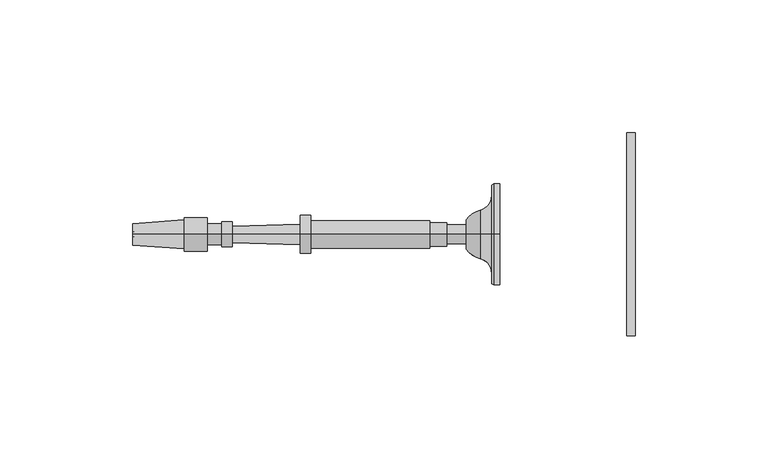
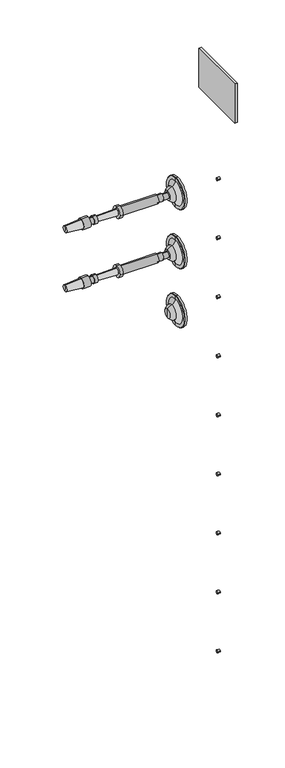
"""IFC4 building model written with IfcOpenShell, lengths in millimetres: railing geometry."""

from ifc_helpers import new_model, si_unit, point, frame, frame_2d, origin, place, context, project, spatial, polyline, circle_curve, ellipse_curve, trimmed, segment, composite_curve, outline, extrude, source, transform, mapped, element, save
from ifc_brep_helpers import plane_surface, cylinder_surface, revolved_surface, advanced_brep


def railing_b5b5f7ef(model_context):
    return source(origin(), model_context, "Body", "SolidModel", [
        extrude(outline(polyline([(4095.9188898, 16744.3866843), (4095.9188898, 16668.1866843), (4092.7438898, 16668.1866843), (4092.7438898, 16744.3866843), (4095.9188898, 16744.3866843)])), frame((0.0, 0.0, 33390.9789063), z_axis=(0.0, 0.0, 1.0), x_axis=(1.0, 0.0, 0.0)), (0.0, 0.0, 1.0), 50.8),
        extrude(outline(composite_curve([segment(trimmed(circle_curve(frame_2d((16706.2866843, 33295.7289062)), 1.5379197), [point((16707.824604, 33295.7289062))], [point((16704.7487645, 33295.7289062))], False, "CARTESIAN"), True, "CONTINUOUS"), segment(trimmed(circle_curve(frame_2d((16706.2866843, 33295.7289062)), 1.5379197), [point((16704.7487645, 33295.7289062))], [point((16707.824604, 33295.7289062))], False, "CARTESIAN"), True, "CONTINUOUS")], self_intersect=False)), frame((4092.7438898, 0.0, 0.0), z_axis=(1.0, 0.0, 0.0), x_axis=(0.0, 1.0, 0.0)), (0.0, 0.0, 1.0), 3.175),
        extrude(outline(composite_curve([segment(trimmed(circle_curve(frame_2d((16706.2866843, 33219.5289063)), 1.5379197), [point((16707.824604, 33219.5289063))], [point((16704.7487645, 33219.5289063))], False, "CARTESIAN"), True, "CONTINUOUS"), segment(trimmed(circle_curve(frame_2d((16706.2866843, 33219.5289063)), 1.5379197), [point((16704.7487645, 33219.5289063))], [point((16707.824604, 33219.5289063))], False, "CARTESIAN"), True, "CONTINUOUS")], self_intersect=False)), frame((4092.7438898, 0.0, 0.0), z_axis=(1.0, 0.0, 0.0), x_axis=(0.0, 1.0, 0.0)), (0.0, 0.0, 1.0), 3.175),
        extrude(outline(composite_curve([segment(trimmed(circle_curve(frame_2d((16706.2866843, 33143.3289062)), 1.5379197), [point((16707.824604, 33143.3289062))], [point((16704.7487645, 33143.3289062))], False, "CARTESIAN"), True, "CONTINUOUS"), segment(trimmed(circle_curve(frame_2d((16706.2866843, 33143.3289062)), 1.5379197), [point((16704.7487645, 33143.3289062))], [point((16707.824604, 33143.3289062))], False, "CARTESIAN"), True, "CONTINUOUS")], self_intersect=False)), frame((4092.7438898, 0.0, 0.0), z_axis=(1.0, 0.0, 0.0), x_axis=(0.0, 1.0, 0.0)), (0.0, 0.0, 1.0), 3.175),
        extrude(outline(composite_curve([segment(trimmed(circle_curve(frame_2d((16706.2866843, 33067.1289062)), 1.5379197), [point((16707.824604, 33067.1289062))], [point((16704.7487645, 33067.1289062))], False, "CARTESIAN"), True, "CONTINUOUS"), segment(trimmed(circle_curve(frame_2d((16706.2866843, 33067.1289062)), 1.5379197), [point((16704.7487645, 33067.1289062))], [point((16707.824604, 33067.1289062))], False, "CARTESIAN"), True, "CONTINUOUS")], self_intersect=False)), frame((4092.7438898, 0.0, 0.0), z_axis=(1.0, 0.0, 0.0), x_axis=(0.0, 1.0, 0.0)), (0.0, 0.0, 1.0), 3.175),
        extrude(outline(composite_curve([segment(trimmed(circle_curve(frame_2d((16706.2866843, 32990.9289062)), 1.5379197), [point((16707.824604, 32990.9289062))], [point((16704.7487645, 32990.9289062))], False, "CARTESIAN"), True, "CONTINUOUS"), segment(trimmed(circle_curve(frame_2d((16706.2866843, 32990.9289062)), 1.5379197), [point((16704.7487645, 32990.9289062))], [point((16707.824604, 32990.9289062))], False, "CARTESIAN"), True, "CONTINUOUS")], self_intersect=False)), frame((4092.7438898, 0.0, 0.0), z_axis=(1.0, 0.0, 0.0), x_axis=(0.0, 1.0, 0.0)), (0.0, 0.0, 1.0), 3.175),
        extrude(outline(composite_curve([segment(trimmed(circle_curve(frame_2d((16706.2866843, 32914.7289062)), 1.5379197), [point((16707.824604, 32914.7289062))], [point((16704.7487645, 32914.7289062))], False, "CARTESIAN"), True, "CONTINUOUS"), segment(trimmed(circle_curve(frame_2d((16706.2866843, 32914.7289062)), 1.5379197), [point((16704.7487645, 32914.7289062))], [point((16707.824604, 32914.7289062))], False, "CARTESIAN"), True, "CONTINUOUS")], self_intersect=False)), frame((4092.7438898, 0.0, 0.0), z_axis=(1.0, 0.0, 0.0), x_axis=(0.0, 1.0, 0.0)), (0.0, 0.0, 1.0), 3.175),
        extrude(outline(composite_curve([segment(trimmed(circle_curve(frame_2d((16706.2866843, 32838.5289063)), 1.5379197), [point((16707.824604, 32838.5289063))], [point((16704.7487645, 32838.5289063))], False, "CARTESIAN"), True, "CONTINUOUS"), segment(trimmed(circle_curve(frame_2d((16706.2866843, 32838.5289063)), 1.5379197), [point((16704.7487645, 32838.5289063))], [point((16707.824604, 32838.5289063))], False, "CARTESIAN"), True, "CONTINUOUS")], self_intersect=False)), frame((4092.7438898, 0.0, 0.0), z_axis=(1.0, 0.0, 0.0), x_axis=(0.0, 1.0, 0.0)), (0.0, 0.0, 1.0), 3.175),
        extrude(outline(composite_curve([segment(trimmed(circle_curve(frame_2d((16706.2866843, 32762.3289062)), 1.5379197), [point((16707.824604, 32762.3289062))], [point((16704.7487645, 32762.3289062))], False, "CARTESIAN"), True, "CONTINUOUS"), segment(trimmed(circle_curve(frame_2d((16706.2866843, 32762.3289062)), 1.5379197), [point((16704.7487645, 32762.3289062))], [point((16707.824604, 32762.3289062))], False, "CARTESIAN"), True, "CONTINUOUS")], self_intersect=False)), frame((4092.7438898, 0.0, 0.0), z_axis=(1.0, 0.0, 0.0), x_axis=(0.0, 1.0, 0.0)), (0.0, 0.0, 1.0), 3.175),
        extrude(outline(composite_curve([segment(trimmed(circle_curve(frame_2d((16706.2866843, 32686.1289062)), 1.5379197), [point((16707.824604, 32686.1289062))], [point((16704.7487645, 32686.1289062))], False, "CARTESIAN"), True, "CONTINUOUS"), segment(trimmed(circle_curve(frame_2d((16706.2866843, 32686.1289062)), 1.5379197), [point((16704.7487645, 32686.1289062))], [point((16707.824604, 32686.1289062))], False, "CARTESIAN"), True, "CONTINUOUS")], self_intersect=False)), frame((4092.7438898, 0.0, 0.0), z_axis=(1.0, 0.0, 0.0), x_axis=(0.0, 1.0, 0.0)), (0.0, 0.0, 1.0), 3.175),
        advanced_brep(
        [(4045.1015906, 16706.2866843, 33296.0001631), (4045.1015906, 16706.2866843, 33315.0501631), (4045.1015906, 16706.2866843, 33276.9501631), (4032.408954, 16706.2866843, 33290.4769785), (4032.408954, 16706.2866843, 33301.5233478), (4032.408954, 16706.2866843, 33296.0001631), (4037.6850504, 16706.2866843, 33286.8720381), (4037.6850504, 16706.2866843, 33305.1282881), (4042.0506754, 16706.2866843, 33281.2458254), (4042.0506754, 16706.2866843, 33310.7545009), (4042.0506754, 16706.2866843, 33277.3762941), (4042.0506754, 16706.2866843, 33314.6240321), (4042.7203406, 16706.2866843, 33276.9501631), (4042.7203406, 16706.2866843, 33315.0501631)],
        [
            (0, 1),
            (1, 2, circle_curve(frame((4045.1015906, 16706.2866843, 33296.0001631), z_axis=(1.0, 0.0, 0.0), x_axis=(0.0, 0.0, 1.0)), 19.05)),
            (2, 0),
            (2, 1, circle_curve(frame((4045.1015906, 16706.2866843, 33296.0001631), z_axis=(1.0, 0.0, 0.0), x_axis=(0.0, 0.0, 1.0)), 19.05)),
            (3, 4, circle_curve(frame((4032.408954, 16706.2866843, 33296.0001631), z_axis=(-1.0, 0.0, 0.0), x_axis=(0.0, 0.0, 1.0)), 5.5231846)),
            (4, 5),
            (5, 3),
            (4, 3, circle_curve(frame((4032.408954, 16706.2866843, 33296.0001631), z_axis=(-1.0, 0.0, 0.0), x_axis=(0.0, 0.0, 1.0)), 5.5231846)),
            (6, 7, circle_curve(frame((4037.6850504, 16706.2866843, 33296.0001631), z_axis=(-1.0, 0.0, 0.0), x_axis=(0.0, 0.0, 1.0)), 9.128125)),
            (7, 4, circle_curve(frame((4040.0094591, 16706.2866843, 33296.0628958), z_axis=(0.0, -1.0, 0.0), x_axis=(-1.0, 0.0, 0.0)), 9.3586438)),
            (3, 6, circle_curve(frame((4040.0094591, 16706.2866843, 33295.9374304), z_axis=(0.0, -1.0, 0.0), x_axis=(-1.0, 0.0, 0.0)), 9.3586438)),
            (7, 6, circle_curve(frame((4037.6850504, 16706.2866843, 33296.0001631), z_axis=(-1.0, 0.0, 0.0), x_axis=(0.0, 0.0, 1.0)), 9.128125)),
            (8, 9, circle_curve(frame((4042.0506754, 16706.2866843, 33296.0001631), z_axis=(-1.0, 0.0, 0.0), x_axis=(0.0, 0.0, 1.0)), 14.7543378)),
            (9, 7, circle_curve(frame((4036.2424634, 16706.2866843, 33310.7545009), z_axis=(0.0, 1.0, 0.0), x_axis=(-1.0, 0.0, 0.0)), 5.8082121)),
            (6, 8, circle_curve(frame((4036.2424634, 16706.2866843, 33281.2458254), z_axis=(0.0, 1.0, 0.0), x_axis=(-1.0, 0.0, 0.0)), 5.8082121)),
            (9, 8, circle_curve(frame((4042.0506754, 16706.2866843, 33296.0001631), z_axis=(-1.0, 0.0, 0.0), x_axis=(0.0, 0.0, 1.0)), 14.7543378)),
            (10, 11, circle_curve(frame((4042.0506754, 16706.2866843, 33296.0001631), z_axis=(-1.0, 0.0, 0.0), x_axis=(0.0, 0.0, 1.0)), 18.623869)),
            (11, 9),
            (8, 10),
            (11, 10, circle_curve(frame((4042.0506754, 16706.2866843, 33296.0001631), z_axis=(-1.0, 0.0, 0.0), x_axis=(0.0, 0.0, 1.0)), 18.623869)),
            (12, 13, circle_curve(frame((4042.7203406, 16706.2866843, 33296.0001631), z_axis=(-1.0, 0.0, 0.0), x_axis=(0.0, 0.0, 1.0)), 19.05)),
            (13, 11),
            (10, 12),
            (13, 12, circle_curve(frame((4042.7203406, 16706.2866843, 33296.0001631), z_axis=(-1.0, 0.0, 0.0), x_axis=(0.0, 0.0, 1.0)), 19.05)),
            (1, 13),
            (12, 2),
        ],
        [
            plane_surface(frame((4045.1015906, 16706.2866843, 33296.0001631), z_axis=(1.0, 0.0, 0.0), x_axis=(0.0, 0.0, 1.0))),
            plane_surface(frame((4032.408954, 16706.2866843, 33296.0001631), z_axis=(-1.0, 0.0, 0.0), x_axis=(0.0, 0.0, 1.0))),
            revolved_surface(trimmed(ellipse_curve(frame((4040.0094591, 16706.2866843, 33296.0628958), z_axis=(0.0, 1.0, 0.0), x_axis=(-1.0, 0.0, 0.0)), 9.3586438, 9.3586438), [point((4032.408954, 16706.2866843, 33301.5233478))], [point((4037.6850504, 16706.2866843, 33305.1282881))], True, "CARTESIAN"), (4045.1015906, 16706.2866843, 33296.0001631), (1.0, 0.0, 0.0)),
            revolved_surface(trimmed(ellipse_curve(frame((4036.2424634, 16706.2866843, 33310.7545009), z_axis=(0.0, -1.0, 0.0), x_axis=(-1.0, 0.0, 0.0)), 5.8082121, 5.8082121), [point((4037.6850504, 16706.2866843, 33305.1282881))], [point((4042.0506754, 16706.2866843, 33310.7545009))], True, "CARTESIAN"), (4045.1015906, 16706.2866843, 33296.0001631), (1.0, 0.0, 0.0)),
            plane_surface(frame((4042.0506754, 16706.2866843, 33296.0001631), z_axis=(-1.0, 0.0, 0.0), x_axis=(0.0, 0.0, 1.0))),
            revolved_surface(polyline([(4042.0506754, 16706.2866843, 33314.6240321), (4042.7203406, 16706.2866843, 33315.0501631)]), (4045.1015906, 16706.2866843, 33296.0001631), (1.0, 0.0, 0.0)),
            cylinder_surface(frame((4045.1015906, 16706.2866843, 33296.0001631), z_axis=(1.0, 0.0, 0.0), x_axis=(0.0, 0.0, 1.0)), 19.05),
        ],
        [
            (0, [[1, 2, 3]]),
            (0, [[-3, 4, -1]]),
            (1, [[5, 6, 7]]),
            (1, [[8, -7, -6]]),
            (2, [[9, 10, -5, 11]]),
            (2, [[12, -11, -8, -10]]),
            (3, [[13, 14, -9, 15]]),
            (3, [[16, -15, -12, -14]]),
            (4, [[17, 18, -13, 19]]),
            (4, [[20, -19, -16, -18]]),
            (5, [[21, 22, -17, 23]]),
            (5, [[24, -23, -20, -22]]),
            (6, [[-2, 25, -21, 26]]),
            (6, [[-4, -26, -24, -25]]),
        ],
    ),
        advanced_brep(
        [(4032.408954, 16706.2866843, 33292.4282881), (4032.408954, 16706.2866843, 33296.0001631), (4032.408954, 16706.2866843, 33299.5720381), (3907.4650648, 16706.2866843, 33296.0001631), (3907.1694004, 16706.2866843, 33291.9757028), (3907.1694004, 16706.2866843, 33300.0246235), (3926.5127644, 16706.2866843, 33290.5546072), (3926.5127644, 16706.2866843, 33301.445719), (3926.5127644, 16706.2866843, 33289.6616385), (3926.5127644, 16706.2866843, 33302.3386877), (3935.1447956, 16706.2866843, 33289.6616385), (3935.1447956, 16706.2866843, 33302.3386877), (3935.1447956, 16706.2866843, 33292.0428885), (3935.1447956, 16706.2866843, 33299.9574377), (3940.5026081, 16706.2866843, 33292.0428885), (3940.5026081, 16706.2866843, 33299.9574377), (3940.5026081, 16706.2866843, 33291.2491385), (3940.5026081, 16706.2866843, 33300.7511877), (3944.5705769, 16706.2866843, 33291.2491385), (3944.5705769, 16706.2866843, 33300.7511877), (3944.614664, 16706.2866843, 33292.8360262), (3944.614664, 16706.2866843, 33299.1643), (3970.0048672, 16706.2866843, 33292.1306319), (3970.0048672, 16706.2866843, 33299.8696944), (3970.0048672, 16706.2866843, 33288.8564131), (3970.0048672, 16706.2866843, 33303.1439131), (3973.9736172, 16706.2866843, 33288.8564131), (3973.9736172, 16706.2866843, 33303.1439131), (3973.9736172, 16706.2866843, 33290.8407881), (3973.9736172, 16706.2866843, 33301.1595381), (4018.7212735, 16706.2866843, 33290.8407881), (4018.7212735, 16706.2866843, 33301.1595381), (4018.7212735, 16706.2866843, 33291.6345381), (4018.7212735, 16706.2866843, 33300.3657881), (4025.0712735, 16706.2866843, 33291.6345381), (4025.0712735, 16706.2866843, 33300.3657881), (4025.0712735, 16706.2866843, 33292.4282881), (4025.0712735, 16706.2866843, 33299.5720381)],
        [
            (0, 1),
            (1, 2),
            (2, 0, circle_curve(frame((4032.408954, 16706.2866843, 33296.0001631), z_axis=(1.0, 0.0, 0.0), x_axis=(0.0, 0.0, 1.0000000000000002)), 3.571875)),
            (0, 2, circle_curve(frame((4032.408954, 16706.2866843, 33296.0001631), z_axis=(1.0, 0.0, 0.0), x_axis=(0.0, 0.0, 1.0000000000000002)), 3.571875)),
            (3, 4),
            (4, 5, circle_curve(frame((3907.1694004, 16706.2866843, 33296.0001631), z_axis=(-1.0, 0.0, 0.0), x_axis=(0.0, 0.0, 1.0000000000000002)), 4.0244604)),
            (5, 3),
            (5, 4, circle_curve(frame((3907.1694004, 16706.2866843, 33296.0001631), z_axis=(-1.0, 0.0, 0.0), x_axis=(0.0, 0.0, 1.0000000000000002)), 4.0244604)),
            (4, 6),
            (6, 7, circle_curve(frame((3926.5127644, 16706.2866843, 33296.0001631), z_axis=(-1.0, 0.0, 0.0), x_axis=(0.0, 0.0, 1.0000000000000002)), 5.4455559)),
            (7, 5),
            (7, 6, circle_curve(frame((3926.5127644, 16706.2866843, 33296.0001631), z_axis=(-1.0, 0.0, 0.0), x_axis=(0.0, 0.0, 1.0000000000000002)), 5.4455559)),
            (6, 8),
            (8, 9, circle_curve(frame((3926.5127644, 16706.2866843, 33296.0001631), z_axis=(-1.0, 0.0, 0.0), x_axis=(0.0, 0.0, 1.0000000000000002)), 6.3385246)),
            (9, 7),
            (9, 8, circle_curve(frame((3926.5127644, 16706.2866843, 33296.0001631), z_axis=(-1.0, 0.0, 0.0), x_axis=(0.0, 0.0, 1.0000000000000002)), 6.3385246)),
            (8, 10),
            (10, 11, circle_curve(frame((3935.1447956, 16706.2866843, 33296.0001631), z_axis=(-1.0, 0.0, 0.0), x_axis=(0.0, 0.0, 1.0000000000000002)), 6.3385246)),
            (11, 9),
            (11, 10, circle_curve(frame((3935.1447956, 16706.2866843, 33296.0001631), z_axis=(-1.0, 0.0, 0.0), x_axis=(0.0, 0.0, 1.0000000000000002)), 6.3385246)),
            (10, 12),
            (12, 13, circle_curve(frame((3935.1447956, 16706.2866843, 33296.0001631), z_axis=(-1.0, 0.0, 0.0), x_axis=(0.0, 0.0, 1.0000000000000002)), 3.9572746)),
            (13, 11),
            (13, 12, circle_curve(frame((3935.1447956, 16706.2866843, 33296.0001631), z_axis=(-1.0, 0.0, 0.0), x_axis=(0.0, 0.0, 1.0000000000000002)), 3.9572746)),
            (12, 14),
            (14, 15, circle_curve(frame((3940.5026081, 16706.2866843, 33296.0001631), z_axis=(-1.0, 0.0, 0.0), x_axis=(0.0, 0.0, 1.0000000000000002)), 3.9572746)),
            (15, 13),
            (15, 14, circle_curve(frame((3940.5026081, 16706.2866843, 33296.0001631), z_axis=(-1.0, 0.0, 0.0), x_axis=(0.0, 0.0, 1.0000000000000002)), 3.9572746)),
            (14, 16),
            (16, 17, circle_curve(frame((3940.5026081, 16706.2866843, 33296.0001631), z_axis=(-1.0, 0.0, 0.0), x_axis=(0.0, 0.0, 1.0000000000000002)), 4.7510246)),
            (17, 15),
            (17, 16, circle_curve(frame((3940.5026081, 16706.2866843, 33296.0001631), z_axis=(-1.0, 0.0, 0.0), x_axis=(0.0, 0.0, 1.0000000000000002)), 4.7510246)),
            (16, 18),
            (18, 19, circle_curve(frame((3944.5705769, 16706.2866843, 33296.0001631), z_axis=(-1.0, 0.0, 0.0), x_axis=(0.0, 0.0, 1.0000000000000002)), 4.7510246)),
            (19, 17),
            (19, 18, circle_curve(frame((3944.5705769, 16706.2866843, 33296.0001631), z_axis=(-1.0, 0.0, 0.0), x_axis=(0.0, 0.0, 1.0000000000000002)), 4.7510246)),
            (18, 20),
            (20, 21, circle_curve(frame((3944.614664, 16706.2866843, 33296.0001631), z_axis=(-1.0, 0.0, 0.0), x_axis=(0.0, 0.0, 1.0000000000000002)), 3.1641369)),
            (21, 19),
            (21, 20, circle_curve(frame((3944.614664, 16706.2866843, 33296.0001631), z_axis=(-1.0, 0.0, 0.0), x_axis=(0.0, 0.0, 1.0000000000000002)), 3.1641369)),
            (20, 22),
            (22, 23, circle_curve(frame((3970.0048672, 16706.2866843, 33296.0001631), z_axis=(-1.0, 0.0, 0.0), x_axis=(0.0, 0.0, 1.0000000000000002)), 3.8695313)),
            (23, 21),
            (23, 22, circle_curve(frame((3970.0048672, 16706.2866843, 33296.0001631), z_axis=(-1.0, 0.0, 0.0), x_axis=(0.0, 0.0, 1.0000000000000002)), 3.8695313)),
            (22, 24),
            (24, 25, circle_curve(frame((3970.0048672, 16706.2866843, 33296.0001631), z_axis=(-1.0, 0.0, 0.0), x_axis=(0.0, 0.0, 1.0000000000000002)), 7.14375)),
            (25, 23),
            (25, 24, circle_curve(frame((3970.0048672, 16706.2866843, 33296.0001631), z_axis=(-1.0, 0.0, 0.0), x_axis=(0.0, 0.0, 1.0000000000000002)), 7.14375)),
            (24, 26),
            (26, 27, circle_curve(frame((3973.9736172, 16706.2866843, 33296.0001631), z_axis=(-1.0, 0.0, 0.0), x_axis=(0.0, 0.0, 1.0000000000000002)), 7.14375)),
            (27, 25),
            (27, 26, circle_curve(frame((3973.9736172, 16706.2866843, 33296.0001631), z_axis=(-1.0, 0.0, 0.0), x_axis=(0.0, 0.0, 1.0000000000000002)), 7.14375)),
            (26, 28),
            (28, 29, circle_curve(frame((3973.9736172, 16706.2866843, 33296.0001631), z_axis=(-1.0, 0.0, 0.0), x_axis=(0.0, 0.0, 1.0000000000000002)), 5.159375)),
            (29, 27),
            (29, 28, circle_curve(frame((3973.9736172, 16706.2866843, 33296.0001631), z_axis=(-1.0, 0.0, 0.0), x_axis=(0.0, 0.0, 1.0000000000000002)), 5.159375)),
            (28, 30),
            (30, 31, circle_curve(frame((4018.7212735, 16706.2866843, 33296.0001631), z_axis=(-1.0, 0.0, 0.0), x_axis=(0.0, 0.0, 1.0000000000000002)), 5.159375)),
            (31, 29),
            (31, 30, circle_curve(frame((4018.7212735, 16706.2866843, 33296.0001631), z_axis=(-1.0, 0.0, 0.0), x_axis=(0.0, 0.0, 1.0000000000000002)), 5.159375)),
            (30, 32),
            (32, 33, circle_curve(frame((4018.7212735, 16706.2866843, 33296.0001631), z_axis=(-1.0, 0.0, 0.0), x_axis=(0.0, 0.0, 1.0000000000000002)), 4.365625)),
            (33, 31),
            (33, 32, circle_curve(frame((4018.7212735, 16706.2866843, 33296.0001631), z_axis=(-1.0, 0.0, 0.0), x_axis=(0.0, 0.0, 1.0000000000000002)), 4.365625)),
            (32, 34),
            (34, 35, circle_curve(frame((4025.0712735, 16706.2866843, 33296.0001631), z_axis=(-1.0, 0.0, 0.0), x_axis=(0.0, 0.0, 1.0000000000000002)), 4.365625)),
            (35, 33),
            (35, 34, circle_curve(frame((4025.0712735, 16706.2866843, 33296.0001631), z_axis=(-1.0, 0.0, 0.0), x_axis=(0.0, 0.0, 1.0000000000000002)), 4.365625)),
            (34, 36),
            (36, 37, circle_curve(frame((4025.0712735, 16706.2866843, 33296.0001631), z_axis=(-1.0, 0.0, 0.0), x_axis=(0.0, 0.0, 1.0000000000000002)), 3.571875)),
            (37, 35),
            (37, 36, circle_curve(frame((4025.0712735, 16706.2866843, 33296.0001631), z_axis=(-1.0, 0.0, 0.0), x_axis=(0.0, 0.0, 1.0000000000000002)), 3.571875)),
            (36, 0),
            (2, 37),
        ],
        [
            plane_surface(frame((4032.408954, 16706.2866843, 33296.0001631), z_axis=(1.0, 0.0, 0.0), x_axis=(0.0, 0.0, 1.0))),
            revolved_surface(polyline([(3907.1694004, 16706.2866843, 33300.0246235), (3907.4650648, 16706.2866843, 33296.0001631)]), (3907.4650648, 16706.2866843, 33296.0001631), (-1.0, 0.0, 0.0)),
            revolved_surface(polyline([(3926.5127644, 16706.2866843, 33301.445719), (3907.1694004, 16706.2866843, 33300.0246235)]), (3907.4650648, 16706.2866843, 33296.0001631), (-1.0, 0.0, 0.0)),
            plane_surface(frame((3926.5127644, 16706.2866843, 33296.0001631), z_axis=(-1.0, 0.0, 0.0), x_axis=(0.0, 0.0, 1.0))),
            cylinder_surface(frame((3907.4650648, 16706.2866843, 33296.0001631), z_axis=(-1.0, 0.0, 0.0), x_axis=(0.0, 0.0, 1.0000000000000002)), 6.3385246),
            plane_surface(frame((3935.1447956, 16706.2866843, 33296.0001631), z_axis=(1.0, 0.0, 0.0), x_axis=(0.0, 0.0, 1.0))),
            cylinder_surface(frame((3907.4650648, 16706.2866843, 33296.0001631), z_axis=(-1.0, 0.0, 0.0), x_axis=(0.0, 0.0, 1.0000000000000002)), 3.9572746),
            plane_surface(frame((3940.5026081, 16706.2866843, 33296.0001631), z_axis=(-1.0, 0.0, 0.0), x_axis=(0.0, 0.0, 1.0))),
            cylinder_surface(frame((3907.4650648, 16706.2866843, 33296.0001631), z_axis=(-1.0, 0.0, 0.0), x_axis=(0.0, 0.0, 1.0000000000000002)), 4.7510246),
            plane_surface(frame((3944.614664, 16706.2866843, 33296.0001631), z_axis=(1.0, 0.0, 0.0), x_axis=(0.0, 0.0, 1.0))),
            revolved_surface(polyline([(3970.0048672, 16706.2866843, 33299.8696944), (3944.614664, 16706.2866843, 33299.1643)]), (3907.4650648, 16706.2866843, 33296.0001631), (-1.0, 0.0, 0.0)),
            plane_surface(frame((3970.0048672, 16706.2866843, 33296.0001631), z_axis=(-1.0, 0.0, 0.0), x_axis=(0.0, 0.0, 1.0))),
            cylinder_surface(frame((3907.4650648, 16706.2866843, 33296.0001631), z_axis=(-1.0, 0.0, 0.0), x_axis=(0.0, 0.0, 1.0000000000000002)), 7.14375),
            plane_surface(frame((3973.9736172, 16706.2866843, 33296.0001631), z_axis=(1.0, 0.0, 0.0), x_axis=(0.0, 0.0, 1.0))),
            cylinder_surface(frame((3907.4650648, 16706.2866843, 33296.0001631), z_axis=(-1.0, 0.0, 0.0), x_axis=(0.0, 0.0, 1.0000000000000002)), 5.159375),
            plane_surface(frame((4018.7212735, 16706.2866843, 33296.0001631), z_axis=(1.0, 0.0, 0.0), x_axis=(0.0, 0.0, 1.0))),
            cylinder_surface(frame((3907.4650648, 16706.2866843, 33296.0001631), z_axis=(-1.0, 0.0, 0.0), x_axis=(0.0, 0.0, 1.0000000000000002)), 4.365625),
            plane_surface(frame((4025.0712735, 16706.2866843, 33296.0001631), z_axis=(1.0, 0.0, 0.0), x_axis=(0.0, 0.0, 1.0))),
            cylinder_surface(frame((3907.4650648, 16706.2866843, 33296.0001631), z_axis=(-1.0, 0.0, 0.0), x_axis=(0.0, 0.0, 1.0000000000000002)), 3.571875),
        ],
        [
            (0, [[1, 2, 3]]),
            (0, [[-2, -1, 4]]),
            (1, [[5, 6, 7]]),
            (1, [[-7, 8, -5]]),
            (2, [[9, 10, 11, -6]]),
            (2, [[-11, 12, -9, -8]]),
            (3, [[13, 14, 15, -10]]),
            (3, [[-15, 16, -13, -12]]),
            (4, [[17, 18, 19, -14]]),
            (4, [[-19, 20, -17, -16]]),
            (5, [[21, 22, 23, -18]]),
            (5, [[-23, 24, -21, -20]]),
            (6, [[25, 26, 27, -22]]),
            (6, [[-27, 28, -25, -24]]),
            (7, [[29, 30, 31, -26]]),
            (7, [[-31, 32, -29, -28]]),
            (8, [[33, 34, 35, -30]]),
            (8, [[-35, 36, -33, -32]]),
            (9, [[37, 38, 39, -34]]),
            (9, [[-39, 40, -37, -36]]),
            (10, [[41, 42, 43, -38]]),
            (10, [[-43, 44, -41, -40]]),
            (11, [[45, 46, 47, -42]]),
            (11, [[-47, 48, -45, -44]]),
            (12, [[49, 50, 51, -46]]),
            (12, [[-51, 52, -49, -48]]),
            (13, [[53, 54, 55, -50]]),
            (13, [[-55, 56, -53, -52]]),
            (14, [[57, 58, 59, -54]]),
            (14, [[-59, 60, -57, -56]]),
            (15, [[61, 62, 63, -58]]),
            (15, [[-63, 64, -61, -60]]),
            (16, [[65, 66, 67, -62]]),
            (16, [[-67, 68, -65, -64]]),
            (17, [[69, 70, 71, -66]]),
            (17, [[-71, 72, -69, -68]]),
            (18, [[73, -3, 74, -70]]),
            (18, [[-74, -4, -73, -72]]),
        ],
    ),
        advanced_brep(
        [(4045.1015906, 16706.2866843, 33219.8001631), (4045.1015906, 16706.2866843, 33238.8501631), (4045.1015906, 16706.2866843, 33200.7501631), (4032.408954, 16706.2866843, 33214.2769785), (4032.408954, 16706.2866843, 33225.3233478), (4032.408954, 16706.2866843, 33219.8001631), (4037.6850504, 16706.2866843, 33210.6720381), (4037.6850504, 16706.2866843, 33228.9282881), (4042.0506754, 16706.2866843, 33205.0458254), (4042.0506754, 16706.2866843, 33234.5545009), (4042.0506754, 16706.2866843, 33201.1762941), (4042.0506754, 16706.2866843, 33238.4240321), (4042.7203406, 16706.2866843, 33200.7501631), (4042.7203406, 16706.2866843, 33238.8501631)],
        [
            (0, 1),
            (1, 2, circle_curve(frame((4045.1015906, 16706.2866843, 33219.8001631), z_axis=(1.0, 0.0, 0.0), x_axis=(0.0, 0.0, 1.0)), 19.05)),
            (2, 0),
            (2, 1, circle_curve(frame((4045.1015906, 16706.2866843, 33219.8001631), z_axis=(1.0, 0.0, 0.0), x_axis=(0.0, 0.0, 1.0)), 19.05)),
            (3, 4, circle_curve(frame((4032.408954, 16706.2866843, 33219.8001631), z_axis=(-1.0, 0.0, 0.0), x_axis=(0.0, 0.0, 1.0)), 5.5231846)),
            (4, 5),
            (5, 3),
            (4, 3, circle_curve(frame((4032.408954, 16706.2866843, 33219.8001631), z_axis=(-1.0, 0.0, 0.0), x_axis=(0.0, 0.0, 1.0)), 5.5231846)),
            (6, 7, circle_curve(frame((4037.6850504, 16706.2866843, 33219.8001631), z_axis=(-1.0, 0.0, 0.0), x_axis=(0.0, 0.0, 1.0)), 9.128125)),
            (7, 4, circle_curve(frame((4040.0094591, 16706.2866843, 33219.8628958), z_axis=(0.0, -1.0, 0.0), x_axis=(-1.0, 0.0, 0.0)), 9.3586438)),
            (3, 6, circle_curve(frame((4040.0094591, 16706.2866843, 33219.7374304), z_axis=(0.0, -1.0, 0.0), x_axis=(-1.0, 0.0, 0.0)), 9.3586438)),
            (7, 6, circle_curve(frame((4037.6850504, 16706.2866843, 33219.8001631), z_axis=(-1.0, 0.0, 0.0), x_axis=(0.0, 0.0, 1.0)), 9.128125)),
            (8, 9, circle_curve(frame((4042.0506754, 16706.2866843, 33219.8001631), z_axis=(-1.0, 0.0, 0.0), x_axis=(0.0, 0.0, 1.0)), 14.7543378)),
            (9, 7, circle_curve(frame((4036.2424634, 16706.2866843, 33234.5545009), z_axis=(0.0, 1.0, 0.0), x_axis=(-1.0, 0.0, 0.0)), 5.8082121)),
            (6, 8, circle_curve(frame((4036.2424634, 16706.2866843, 33205.0458254), z_axis=(0.0, 1.0, 0.0), x_axis=(-1.0, 0.0, 0.0)), 5.8082121)),
            (9, 8, circle_curve(frame((4042.0506754, 16706.2866843, 33219.8001631), z_axis=(-1.0, 0.0, 0.0), x_axis=(0.0, 0.0, 1.0)), 14.7543378)),
            (10, 11, circle_curve(frame((4042.0506754, 16706.2866843, 33219.8001631), z_axis=(-1.0, 0.0, 0.0), x_axis=(0.0, 0.0, 1.0)), 18.623869)),
            (11, 9),
            (8, 10),
            (11, 10, circle_curve(frame((4042.0506754, 16706.2866843, 33219.8001631), z_axis=(-1.0, 0.0, 0.0), x_axis=(0.0, 0.0, 1.0)), 18.623869)),
            (12, 13, circle_curve(frame((4042.7203406, 16706.2866843, 33219.8001631), z_axis=(-1.0, 0.0, 0.0), x_axis=(0.0, 0.0, 1.0)), 19.05)),
            (13, 11),
            (10, 12),
            (13, 12, circle_curve(frame((4042.7203406, 16706.2866843, 33219.8001631), z_axis=(-1.0, 0.0, 0.0), x_axis=(0.0, 0.0, 1.0)), 19.05)),
            (1, 13),
            (12, 2),
        ],
        [
            plane_surface(frame((4045.1015906, 16706.2866843, 33219.8001631), z_axis=(1.0, 0.0, 0.0), x_axis=(0.0, 0.0, 1.0))),
            plane_surface(frame((4032.408954, 16706.2866843, 33219.8001631), z_axis=(-1.0, 0.0, 0.0), x_axis=(0.0, 0.0, 1.0))),
            revolved_surface(trimmed(ellipse_curve(frame((4040.0094591, 16706.2866843, 33219.8628958), z_axis=(0.0, 1.0, 0.0), x_axis=(-1.0, 0.0, 0.0)), 9.3586438, 9.3586438), [point((4032.408954, 16706.2866843, 33225.3233478))], [point((4037.6850504, 16706.2866843, 33228.9282881))], True, "CARTESIAN"), (4045.1015906, 16706.2866843, 33219.8001631), (1.0, 0.0, 0.0)),
            revolved_surface(trimmed(ellipse_curve(frame((4036.2424634, 16706.2866843, 33234.5545009), z_axis=(0.0, -1.0, 0.0), x_axis=(-1.0, 0.0, 0.0)), 5.8082121, 5.8082121), [point((4037.6850504, 16706.2866843, 33228.9282881))], [point((4042.0506754, 16706.2866843, 33234.5545009))], True, "CARTESIAN"), (4045.1015906, 16706.2866843, 33219.8001631), (1.0, 0.0, 0.0)),
            plane_surface(frame((4042.0506754, 16706.2866843, 33219.8001631), z_axis=(-1.0, 0.0, 0.0), x_axis=(0.0, 0.0, 1.0))),
            revolved_surface(polyline([(4042.0506754, 16706.2866843, 33238.4240321), (4042.7203406, 16706.2866843, 33238.8501631)]), (4045.1015906, 16706.2866843, 33219.8001631), (1.0, 0.0, 0.0)),
            cylinder_surface(frame((4045.1015906, 16706.2866843, 33219.8001631), z_axis=(1.0, 0.0, 0.0), x_axis=(0.0, 0.0, 1.0)), 19.05),
        ],
        [
            (0, [[1, 2, 3]]),
            (0, [[-3, 4, -1]]),
            (1, [[5, 6, 7]]),
            (1, [[8, -7, -6]]),
            (2, [[9, 10, -5, 11]]),
            (2, [[12, -11, -8, -10]]),
            (3, [[13, 14, -9, 15]]),
            (3, [[16, -15, -12, -14]]),
            (4, [[17, 18, -13, 19]]),
            (4, [[20, -19, -16, -18]]),
            (5, [[21, 22, -17, 23]]),
            (5, [[24, -23, -20, -22]]),
            (6, [[-2, 25, -21, 26]]),
            (6, [[-4, -26, -24, -25]]),
        ],
    ),
        advanced_brep(
        [(4032.408954, 16706.2866843, 33216.2282881), (4032.408954, 16706.2866843, 33219.8001631), (4032.408954, 16706.2866843, 33223.3720381), (3907.4650648, 16706.2866843, 33219.8001631), (3907.1694004, 16706.2866843, 33215.7757028), (3907.1694004, 16706.2866843, 33223.8246235), (3926.5127644, 16706.2866843, 33214.3546072), (3926.5127644, 16706.2866843, 33225.245719), (3926.5127644, 16706.2866843, 33213.4616385), (3926.5127644, 16706.2866843, 33226.1386877), (3935.1447956, 16706.2866843, 33213.4616385), (3935.1447956, 16706.2866843, 33226.1386877), (3935.1447956, 16706.2866843, 33215.8428885), (3935.1447956, 16706.2866843, 33223.7574377), (3940.5026081, 16706.2866843, 33215.8428885), (3940.5026081, 16706.2866843, 33223.7574377), (3940.5026081, 16706.2866843, 33215.0491385), (3940.5026081, 16706.2866843, 33224.5511877), (3944.5705769, 16706.2866843, 33215.0491385), (3944.5705769, 16706.2866843, 33224.5511877), (3944.614664, 16706.2866843, 33216.6360262), (3944.614664, 16706.2866843, 33222.9643), (3970.0048672, 16706.2866843, 33215.9306319), (3970.0048672, 16706.2866843, 33223.6696944), (3970.0048672, 16706.2866843, 33212.6564131), (3970.0048672, 16706.2866843, 33226.9439131), (3973.9736172, 16706.2866843, 33212.6564131), (3973.9736172, 16706.2866843, 33226.9439131), (3973.9736172, 16706.2866843, 33214.6407881), (3973.9736172, 16706.2866843, 33224.9595381), (4018.7212735, 16706.2866843, 33214.6407881), (4018.7212735, 16706.2866843, 33224.9595381), (4018.7212735, 16706.2866843, 33215.4345381), (4018.7212735, 16706.2866843, 33224.1657881), (4025.0712735, 16706.2866843, 33215.4345381), (4025.0712735, 16706.2866843, 33224.1657881), (4025.0712735, 16706.2866843, 33216.2282881), (4025.0712735, 16706.2866843, 33223.3720381)],
        [
            (0, 1),
            (1, 2),
            (2, 0, circle_curve(frame((4032.408954, 16706.2866843, 33219.8001631), z_axis=(1.0, 0.0, 0.0), x_axis=(0.0, 0.0, 1.0000000000000002)), 3.571875)),
            (0, 2, circle_curve(frame((4032.408954, 16706.2866843, 33219.8001631), z_axis=(1.0, 0.0, 0.0), x_axis=(0.0, 0.0, 1.0000000000000002)), 3.571875)),
            (3, 4),
            (4, 5, circle_curve(frame((3907.1694004, 16706.2866843, 33219.8001631), z_axis=(-1.0, 0.0, 0.0), x_axis=(0.0, 0.0, 1.0000000000000002)), 4.0244604)),
            (5, 3),
            (5, 4, circle_curve(frame((3907.1694004, 16706.2866843, 33219.8001631), z_axis=(-1.0, 0.0, 0.0), x_axis=(0.0, 0.0, 1.0000000000000002)), 4.0244604)),
            (4, 6),
            (6, 7, circle_curve(frame((3926.5127644, 16706.2866843, 33219.8001631), z_axis=(-1.0, 0.0, 0.0), x_axis=(0.0, 0.0, 1.0000000000000002)), 5.4455559)),
            (7, 5),
            (7, 6, circle_curve(frame((3926.5127644, 16706.2866843, 33219.8001631), z_axis=(-1.0, 0.0, 0.0), x_axis=(0.0, 0.0, 1.0000000000000002)), 5.4455559)),
            (6, 8),
            (8, 9, circle_curve(frame((3926.5127644, 16706.2866843, 33219.8001631), z_axis=(-1.0, 0.0, 0.0), x_axis=(0.0, 0.0, 1.0000000000000002)), 6.3385246)),
            (9, 7),
            (9, 8, circle_curve(frame((3926.5127644, 16706.2866843, 33219.8001631), z_axis=(-1.0, 0.0, 0.0), x_axis=(0.0, 0.0, 1.0000000000000002)), 6.3385246)),
            (8, 10),
            (10, 11, circle_curve(frame((3935.1447956, 16706.2866843, 33219.8001631), z_axis=(-1.0, 0.0, 0.0), x_axis=(0.0, 0.0, 1.0000000000000002)), 6.3385246)),
            (11, 9),
            (11, 10, circle_curve(frame((3935.1447956, 16706.2866843, 33219.8001631), z_axis=(-1.0, 0.0, 0.0), x_axis=(0.0, 0.0, 1.0000000000000002)), 6.3385246)),
            (10, 12),
            (12, 13, circle_curve(frame((3935.1447956, 16706.2866843, 33219.8001631), z_axis=(-1.0, 0.0, 0.0), x_axis=(0.0, 0.0, 1.0000000000000002)), 3.9572746)),
            (13, 11),
            (13, 12, circle_curve(frame((3935.1447956, 16706.2866843, 33219.8001631), z_axis=(-1.0, 0.0, 0.0), x_axis=(0.0, 0.0, 1.0000000000000002)), 3.9572746)),
            (12, 14),
            (14, 15, circle_curve(frame((3940.5026081, 16706.2866843, 33219.8001631), z_axis=(-1.0, 0.0, 0.0), x_axis=(0.0, 0.0, 1.0000000000000002)), 3.9572746)),
            (15, 13),
            (15, 14, circle_curve(frame((3940.5026081, 16706.2866843, 33219.8001631), z_axis=(-1.0, 0.0, 0.0), x_axis=(0.0, 0.0, 1.0000000000000002)), 3.9572746)),
            (14, 16),
            (16, 17, circle_curve(frame((3940.5026081, 16706.2866843, 33219.8001631), z_axis=(-1.0, 0.0, 0.0), x_axis=(0.0, 0.0, 1.0000000000000002)), 4.7510246)),
            (17, 15),
            (17, 16, circle_curve(frame((3940.5026081, 16706.2866843, 33219.8001631), z_axis=(-1.0, 0.0, 0.0), x_axis=(0.0, 0.0, 1.0000000000000002)), 4.7510246)),
            (16, 18),
            (18, 19, circle_curve(frame((3944.5705769, 16706.2866843, 33219.8001631), z_axis=(-1.0, 0.0, 0.0), x_axis=(0.0, 0.0, 1.0000000000000002)), 4.7510246)),
            (19, 17),
            (19, 18, circle_curve(frame((3944.5705769, 16706.2866843, 33219.8001631), z_axis=(-1.0, 0.0, 0.0), x_axis=(0.0, 0.0, 1.0000000000000002)), 4.7510246)),
            (18, 20),
            (20, 21, circle_curve(frame((3944.614664, 16706.2866843, 33219.8001631), z_axis=(-1.0, 0.0, 0.0), x_axis=(0.0, 0.0, 1.0000000000000002)), 3.1641369)),
            (21, 19),
            (21, 20, circle_curve(frame((3944.614664, 16706.2866843, 33219.8001631), z_axis=(-1.0, 0.0, 0.0), x_axis=(0.0, 0.0, 1.0000000000000002)), 3.1641369)),
            (20, 22),
            (22, 23, circle_curve(frame((3970.0048672, 16706.2866843, 33219.8001631), z_axis=(-1.0, 0.0, 0.0), x_axis=(0.0, 0.0, 1.0000000000000002)), 3.8695313)),
            (23, 21),
            (23, 22, circle_curve(frame((3970.0048672, 16706.2866843, 33219.8001631), z_axis=(-1.0, 0.0, 0.0), x_axis=(0.0, 0.0, 1.0000000000000002)), 3.8695313)),
            (22, 24),
            (24, 25, circle_curve(frame((3970.0048672, 16706.2866843, 33219.8001631), z_axis=(-1.0, 0.0, 0.0), x_axis=(0.0, 0.0, 1.0000000000000002)), 7.14375)),
            (25, 23),
            (25, 24, circle_curve(frame((3970.0048672, 16706.2866843, 33219.8001631), z_axis=(-1.0, 0.0, 0.0), x_axis=(0.0, 0.0, 1.0000000000000002)), 7.14375)),
            (24, 26),
            (26, 27, circle_curve(frame((3973.9736172, 16706.2866843, 33219.8001631), z_axis=(-1.0, 0.0, 0.0), x_axis=(0.0, 0.0, 1.0000000000000002)), 7.14375)),
            (27, 25),
            (27, 26, circle_curve(frame((3973.9736172, 16706.2866843, 33219.8001631), z_axis=(-1.0, 0.0, 0.0), x_axis=(0.0, 0.0, 1.0000000000000002)), 7.14375)),
            (26, 28),
            (28, 29, circle_curve(frame((3973.9736172, 16706.2866843, 33219.8001631), z_axis=(-1.0, 0.0, 0.0), x_axis=(0.0, 0.0, 1.0000000000000002)), 5.159375)),
            (29, 27),
            (29, 28, circle_curve(frame((3973.9736172, 16706.2866843, 33219.8001631), z_axis=(-1.0, 0.0, 0.0), x_axis=(0.0, 0.0, 1.0000000000000002)), 5.159375)),
            (28, 30),
            (30, 31, circle_curve(frame((4018.7212735, 16706.2866843, 33219.8001631), z_axis=(-1.0, 0.0, 0.0), x_axis=(0.0, 0.0, 1.0000000000000002)), 5.159375)),
            (31, 29),
            (31, 30, circle_curve(frame((4018.7212735, 16706.2866843, 33219.8001631), z_axis=(-1.0, 0.0, 0.0), x_axis=(0.0, 0.0, 1.0000000000000002)), 5.159375)),
            (30, 32),
            (32, 33, circle_curve(frame((4018.7212735, 16706.2866843, 33219.8001631), z_axis=(-1.0, 0.0, 0.0), x_axis=(0.0, 0.0, 1.0000000000000002)), 4.365625)),
            (33, 31),
            (33, 32, circle_curve(frame((4018.7212735, 16706.2866843, 33219.8001631), z_axis=(-1.0, 0.0, 0.0), x_axis=(0.0, 0.0, 1.0000000000000002)), 4.365625)),
            (32, 34),
            (34, 35, circle_curve(frame((4025.0712735, 16706.2866843, 33219.8001631), z_axis=(-1.0, 0.0, 0.0), x_axis=(0.0, 0.0, 1.0000000000000002)), 4.365625)),
            (35, 33),
            (35, 34, circle_curve(frame((4025.0712735, 16706.2866843, 33219.8001631), z_axis=(-1.0, 0.0, 0.0), x_axis=(0.0, 0.0, 1.0000000000000002)), 4.365625)),
            (34, 36),
            (36, 37, circle_curve(frame((4025.0712735, 16706.2866843, 33219.8001631), z_axis=(-1.0, 0.0, 0.0), x_axis=(0.0, 0.0, 1.0000000000000002)), 3.571875)),
            (37, 35),
            (37, 36, circle_curve(frame((4025.0712735, 16706.2866843, 33219.8001631), z_axis=(-1.0, 0.0, 0.0), x_axis=(0.0, 0.0, 1.0000000000000002)), 3.571875)),
            (36, 0),
            (2, 37),
        ],
        [
            plane_surface(frame((4032.408954, 16706.2866843, 33219.8001631), z_axis=(1.0, 0.0, 0.0), x_axis=(0.0, 0.0, 1.0))),
            revolved_surface(polyline([(3907.1694004, 16706.2866843, 33223.8246235), (3907.4650648, 16706.2866843, 33219.8001631)]), (3907.4650648, 16706.2866843, 33219.8001631), (-1.0, 0.0, 0.0)),
            revolved_surface(polyline([(3926.5127644, 16706.2866843, 33225.245719), (3907.1694004, 16706.2866843, 33223.8246235)]), (3907.4650648, 16706.2866843, 33219.8001631), (-1.0, 0.0, 0.0)),
            plane_surface(frame((3926.5127644, 16706.2866843, 33219.8001631), z_axis=(-1.0, 0.0, 0.0), x_axis=(0.0, 0.0, 1.0))),
            cylinder_surface(frame((3907.4650648, 16706.2866843, 33219.8001631), z_axis=(-1.0, 0.0, 0.0), x_axis=(0.0, 0.0, 1.0000000000000002)), 6.3385246),
            plane_surface(frame((3935.1447956, 16706.2866843, 33219.8001631), z_axis=(1.0, 0.0, 0.0), x_axis=(0.0, 0.0, 1.0))),
            cylinder_surface(frame((3907.4650648, 16706.2866843, 33219.8001631), z_axis=(-1.0, 0.0, 0.0), x_axis=(0.0, 0.0, 1.0000000000000002)), 3.9572746),
            plane_surface(frame((3940.5026081, 16706.2866843, 33219.8001631), z_axis=(-1.0, 0.0, 0.0), x_axis=(0.0, 0.0, 1.0))),
            cylinder_surface(frame((3907.4650648, 16706.2866843, 33219.8001631), z_axis=(-1.0, 0.0, 0.0), x_axis=(0.0, 0.0, 1.0000000000000002)), 4.7510246),
            plane_surface(frame((3944.614664, 16706.2866843, 33219.8001631), z_axis=(1.0, 0.0, 0.0), x_axis=(0.0, 0.0, 1.0))),
            revolved_surface(polyline([(3970.0048672, 16706.2866843, 33223.6696944), (3944.614664, 16706.2866843, 33222.9643)]), (3907.4650648, 16706.2866843, 33219.8001631), (-1.0, 0.0, 0.0)),
            plane_surface(frame((3970.0048672, 16706.2866843, 33219.8001631), z_axis=(-1.0, 0.0, 0.0), x_axis=(0.0, 0.0, 1.0))),
            cylinder_surface(frame((3907.4650648, 16706.2866843, 33219.8001631), z_axis=(-1.0, 0.0, 0.0), x_axis=(0.0, 0.0, 1.0000000000000002)), 7.14375),
            plane_surface(frame((3973.9736172, 16706.2866843, 33219.8001631), z_axis=(1.0, 0.0, 0.0), x_axis=(0.0, 0.0, 1.0))),
            cylinder_surface(frame((3907.4650648, 16706.2866843, 33219.8001631), z_axis=(-1.0, 0.0, 0.0), x_axis=(0.0, 0.0, 1.0000000000000002)), 5.159375),
            plane_surface(frame((4018.7212735, 16706.2866843, 33219.8001631), z_axis=(1.0, 0.0, 0.0), x_axis=(0.0, 0.0, 1.0))),
            cylinder_surface(frame((3907.4650648, 16706.2866843, 33219.8001631), z_axis=(-1.0, 0.0, 0.0), x_axis=(0.0, 0.0, 1.0000000000000002)), 4.365625),
            plane_surface(frame((4025.0712735, 16706.2866843, 33219.8001631), z_axis=(1.0, 0.0, 0.0), x_axis=(0.0, 0.0, 1.0))),
            cylinder_surface(frame((3907.4650648, 16706.2866843, 33219.8001631), z_axis=(-1.0, 0.0, 0.0), x_axis=(0.0, 0.0, 1.0000000000000002)), 3.571875),
        ],
        [
            (0, [[1, 2, 3]]),
            (0, [[-2, -1, 4]]),
            (1, [[5, 6, 7]]),
            (1, [[-7, 8, -5]]),
            (2, [[9, 10, 11, -6]]),
            (2, [[-11, 12, -9, -8]]),
            (3, [[13, 14, 15, -10]]),
            (3, [[-15, 16, -13, -12]]),
            (4, [[17, 18, 19, -14]]),
            (4, [[-19, 20, -17, -16]]),
            (5, [[21, 22, 23, -18]]),
            (5, [[-23, 24, -21, -20]]),
            (6, [[25, 26, 27, -22]]),
            (6, [[-27, 28, -25, -24]]),
            (7, [[29, 30, 31, -26]]),
            (7, [[-31, 32, -29, -28]]),
            (8, [[33, 34, 35, -30]]),
            (8, [[-35, 36, -33, -32]]),
            (9, [[37, 38, 39, -34]]),
            (9, [[-39, 40, -37, -36]]),
            (10, [[41, 42, 43, -38]]),
            (10, [[-43, 44, -41, -40]]),
            (11, [[45, 46, 47, -42]]),
            (11, [[-47, 48, -45, -44]]),
            (12, [[49, 50, 51, -46]]),
            (12, [[-51, 52, -49, -48]]),
            (13, [[53, 54, 55, -50]]),
            (13, [[-55, 56, -53, -52]]),
            (14, [[57, 58, 59, -54]]),
            (14, [[-59, 60, -57, -56]]),
            (15, [[61, 62, 63, -58]]),
            (15, [[-63, 64, -61, -60]]),
            (16, [[65, 66, 67, -62]]),
            (16, [[-67, 68, -65, -64]]),
            (17, [[69, 70, 71, -66]]),
            (17, [[-71, 72, -69, -68]]),
            (18, [[73, -3, 74, -70]]),
            (18, [[-74, -4, -73, -72]]),
        ],
    ),
        advanced_brep(
        [(4045.1015906, 16706.2866843, 33143.6001631), (4045.1015906, 16706.2866843, 33162.6501631), (4045.1015906, 16706.2866843, 33124.5501631), (4032.408954, 16706.2866843, 33138.0769785), (4032.408954, 16706.2866843, 33149.1233478), (4032.408954, 16706.2866843, 33143.6001631), (4037.6850504, 16706.2866843, 33134.4720381), (4037.6850504, 16706.2866843, 33152.7282881), (4042.0506754, 16706.2866843, 33128.8458254), (4042.0506754, 16706.2866843, 33158.3545009), (4042.0506754, 16706.2866843, 33124.9762941), (4042.0506754, 16706.2866843, 33162.2240321), (4042.7203406, 16706.2866843, 33124.5501631), (4042.7203406, 16706.2866843, 33162.6501631)],
        [
            (0, 1),
            (1, 2, circle_curve(frame((4045.1015906, 16706.2866843, 33143.6001631), z_axis=(1.0, 0.0, 0.0), x_axis=(0.0, 0.0, 1.0)), 19.05)),
            (2, 0),
            (2, 1, circle_curve(frame((4045.1015906, 16706.2866843, 33143.6001631), z_axis=(1.0, 0.0, 0.0), x_axis=(0.0, 0.0, 1.0)), 19.05)),
            (3, 4, circle_curve(frame((4032.408954, 16706.2866843, 33143.6001631), z_axis=(-1.0, 0.0, 0.0), x_axis=(0.0, 0.0, 1.0)), 5.5231846)),
            (4, 5),
            (5, 3),
            (4, 3, circle_curve(frame((4032.408954, 16706.2866843, 33143.6001631), z_axis=(-1.0, 0.0, 0.0), x_axis=(0.0, 0.0, 1.0)), 5.5231846)),
            (6, 7, circle_curve(frame((4037.6850504, 16706.2866843, 33143.6001631), z_axis=(-1.0, 0.0, 0.0), x_axis=(0.0, 0.0, 1.0)), 9.128125)),
            (7, 4, circle_curve(frame((4040.0094591, 16706.2866843, 33143.6628958), z_axis=(0.0, -1.0, 0.0), x_axis=(-1.0, 0.0, 0.0)), 9.3586438)),
            (3, 6, circle_curve(frame((4040.0094591, 16706.2866843, 33143.5374304), z_axis=(0.0, -1.0, 0.0), x_axis=(-1.0, 0.0, 0.0)), 9.3586438)),
            (7, 6, circle_curve(frame((4037.6850504, 16706.2866843, 33143.6001631), z_axis=(-1.0, 0.0, 0.0), x_axis=(0.0, 0.0, 1.0)), 9.128125)),
            (8, 9, circle_curve(frame((4042.0506754, 16706.2866843, 33143.6001631), z_axis=(-1.0, 0.0, 0.0), x_axis=(0.0, 0.0, 1.0)), 14.7543378)),
            (9, 7, circle_curve(frame((4036.2424634, 16706.2866843, 33158.3545009), z_axis=(0.0, 1.0, 0.0), x_axis=(-1.0, 0.0, 0.0)), 5.8082121)),
            (6, 8, circle_curve(frame((4036.2424634, 16706.2866843, 33128.8458254), z_axis=(0.0, 1.0, 0.0), x_axis=(-1.0, 0.0, 0.0)), 5.8082121)),
            (9, 8, circle_curve(frame((4042.0506754, 16706.2866843, 33143.6001631), z_axis=(-1.0, 0.0, 0.0), x_axis=(0.0, 0.0, 1.0)), 14.7543378)),
            (10, 11, circle_curve(frame((4042.0506754, 16706.2866843, 33143.6001631), z_axis=(-1.0, 0.0, 0.0), x_axis=(0.0, 0.0, 1.0)), 18.623869)),
            (11, 9),
            (8, 10),
            (11, 10, circle_curve(frame((4042.0506754, 16706.2866843, 33143.6001631), z_axis=(-1.0, 0.0, 0.0), x_axis=(0.0, 0.0, 1.0)), 18.623869)),
            (12, 13, circle_curve(frame((4042.7203406, 16706.2866843, 33143.6001631), z_axis=(-1.0, 0.0, 0.0), x_axis=(0.0, 0.0, 1.0)), 19.05)),
            (13, 11),
            (10, 12),
            (13, 12, circle_curve(frame((4042.7203406, 16706.2866843, 33143.6001631), z_axis=(-1.0, 0.0, 0.0), x_axis=(0.0, 0.0, 1.0)), 19.05)),
            (1, 13),
            (12, 2),
        ],
        [
            plane_surface(frame((4045.1015906, 16706.2866843, 33143.6001631), z_axis=(1.0, 0.0, 0.0), x_axis=(0.0, 0.0, 1.0))),
            plane_surface(frame((4032.408954, 16706.2866843, 33143.6001631), z_axis=(-1.0, 0.0, 0.0), x_axis=(0.0, 0.0, 1.0))),
            revolved_surface(trimmed(ellipse_curve(frame((4040.0094591, 16706.2866843, 33143.6628958), z_axis=(0.0, 1.0, 0.0), x_axis=(-1.0, 0.0, 0.0)), 9.3586438, 9.3586438), [point((4032.408954, 16706.2866843, 33149.1233478))], [point((4037.6850504, 16706.2866843, 33152.7282881))], True, "CARTESIAN"), (4045.1015906, 16706.2866843, 33143.6001631), (1.0, 0.0, 0.0)),
            revolved_surface(trimmed(ellipse_curve(frame((4036.2424634, 16706.2866843, 33158.3545009), z_axis=(0.0, -1.0, 0.0), x_axis=(-1.0, 0.0, 0.0)), 5.8082121, 5.8082121), [point((4037.6850504, 16706.2866843, 33152.7282881))], [point((4042.0506754, 16706.2866843, 33158.3545009))], True, "CARTESIAN"), (4045.1015906, 16706.2866843, 33143.6001631), (1.0, 0.0, 0.0)),
            plane_surface(frame((4042.0506754, 16706.2866843, 33143.6001631), z_axis=(-1.0, 0.0, 0.0), x_axis=(0.0, 0.0, 1.0))),
            revolved_surface(polyline([(4042.0506754, 16706.2866843, 33162.2240321), (4042.7203406, 16706.2866843, 33162.6501631)]), (4045.1015906, 16706.2866843, 33143.6001631), (1.0, 0.0, 0.0)),
            cylinder_surface(frame((4045.1015906, 16706.2866843, 33143.6001631), z_axis=(1.0, 0.0, 0.0), x_axis=(0.0, 0.0, 1.0)), 19.05),
        ],
        [
            (0, [[1, 2, 3]]),
            (0, [[-3, 4, -1]]),
            (1, [[5, 6, 7]]),
            (1, [[8, -7, -6]]),
            (2, [[9, 10, -5, 11]]),
            (2, [[12, -11, -8, -10]]),
            (3, [[13, 14, -9, 15]]),
            (3, [[16, -15, -12, -14]]),
            (4, [[17, 18, -13, 19]]),
            (4, [[20, -19, -16, -18]]),
            (5, [[21, 22, -17, 23]]),
            (5, [[24, -23, -20, -22]]),
            (6, [[-2, 25, -21, 26]]),
            (6, [[-4, -26, -24, -25]]),
        ],
    ),
    ])


if __name__ == "__main__":
    model = new_model("IFC4")
    model_context = context("Model", 3, world=origin())
    ifc_project = project(units=[si_unit("LENGTHUNIT", "METRE", prefix="MILLI")], contexts=[model_context])
    site = spatial("IfcSite", under=ifc_project)
    building = spatial("IfcBuilding", under=site)
    placement = place(None, origin())
    railing_shape = railing_b5b5f7ef(model_context)
    element("IfcRailing", 1, at=placement, inside=building, context=model_context, shape_type="MappedRepresentation", body=[
        mapped(railing_shape, transform((0.0, 0.0, 0.0), x_axis=(1.0, 0.0, 0.0), y_axis=(0.0, 1.0, 0.0), z_axis=(0.0, 0.0, 1.0))),
    ])
    save(model, "model.ifc")
